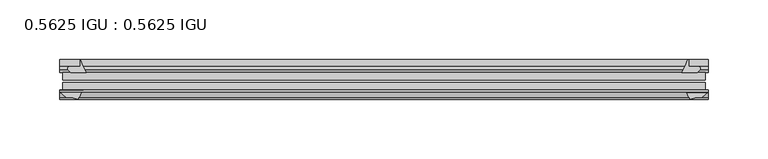
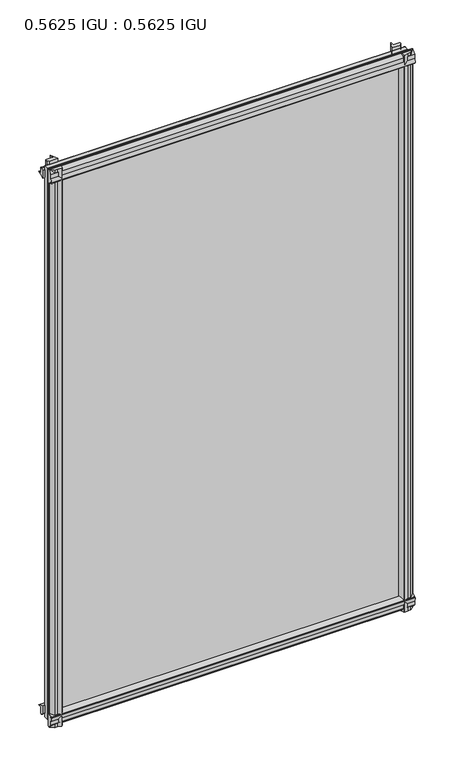
"""IFC4 building model written with IfcOpenShell, lengths in millimetres: plate geometry, 0.5625 IGU : 0.5625 IGU."""

from ifc_helpers import new_model, si_unit, point, frame, frame_2d, origin, place, context, project, spatial, polyline, circle_curve, trimmed, segment, composite_curve, outline, extrude, source, transform, mapped, element, save


def plate_0_5625_igu_0_5625_igu_75a4e9c4(model_context):
    return source(origin(), model_context, "Body", "SweptSolid", [
        extrude(outline(composite_curve([segment(trimmed(circle_curve(frame_2d((-37.8345654, 15.3636795)), 15.5602222), [point((-35.093275, 0.0468313))], [point((-27.955875, 3.3415337))], True, "CARTESIAN"), True, "CONTINUOUS"), segment(polyline([(-27.955875, 3.3415337), (-27.955875, -17.9974199)]), True, "CONTINUOUS"), segment(trimmed(circle_curve(frame_2d((-28.971875, -17.9974199)), 1.016), [point((-27.955875, -17.9974199))], [point((-29.7387172, -18.6639099))], False, "CARTESIAN"), True, "CONTINUOUS"), segment(polyline([(-29.7387172, -18.6639099), (-34.305875, -13.4090837), (-34.305875, -7.4052024), (-35.880675, -1.5279687), (-34.305875, -1.5279687), (-34.305875, -0.7405687)]), True, "CONTINUOUS"), segment(trimmed(circle_curve(frame_2d((-35.093275, -0.7405687)), 0.7874), [point((-34.305875, -0.7405687))], [point((-35.093275, 0.0468313))], True, "CARTESIAN"), True, "CONTINUOUS")], self_intersect=False)), frame((-272.2610856, 0.0, 0.0), z_axis=(1.0, 0.0, 0.0), x_axis=(0.0, 1.0, 0.0)), (0.0, 0.0, 1.0), 544.5221713),
        extrude(outline(composite_curve([segment(trimmed(circle_curve(frame_2d((11.4445684, 45.0767023)), 47.0962123), [point((-13.096875, 4.8800511))], [point((-2.198896, 0.0))], True, "CARTESIAN"), True, "CONTINUOUS"), segment(polyline([(-2.198896, 0.0), (-8.321675, 0.0), (-8.321675, -9.0936065)]), True, "CONTINUOUS"), segment(trimmed(circle_curve(frame_2d((-9.9050751, -9.085239)), 1.5834222), [point((-8.321675, -9.0936065))], [point((-11.0877177, -10.1381313))], False, "CARTESIAN"), True, "CONTINUOUS"), segment(polyline([(-11.0877177, -10.1381313), (-13.096875, -7.8711888), (-13.096875, 4.8800511)]), True, "CONTINUOUS")], self_intersect=False)), frame((-272.2610856, 0.0, 0.0), z_axis=(1.0, 0.0, 0.0), x_axis=(0.0, 1.0, 0.0)), (0.0, 0.0, 1.0), 544.5221713),
        extrude(outline(composite_curve([segment(polyline([(-34.305875, 857.9590837), (-29.7387172, 863.2139099)]), True, "CONTINUOUS"), segment(trimmed(circle_curve(frame_2d((-28.971875, 862.5474199)), 1.016), [point((-29.7387172, 863.2139099))], [point((-27.955875, 862.5474199))], False, "CARTESIAN"), True, "CONTINUOUS"), segment(polyline([(-27.955875, 862.5474199), (-27.955875, 841.2084663)]), True, "CONTINUOUS"), segment(trimmed(circle_curve(frame_2d((-37.8345654, 829.1863205)), 15.5602222), [point((-27.955875, 841.2084663))], [point((-35.093275, 844.5031687))], True, "CARTESIAN"), True, "CONTINUOUS"), segment(trimmed(circle_curve(frame_2d((-35.093275, 845.2905687)), 0.7874), [point((-35.093275, 844.5031687))], [point((-34.305875, 845.2905688))], True, "CARTESIAN"), True, "CONTINUOUS"), segment(polyline([(-34.305875, 845.2905688), (-34.305875, 846.0779687), (-35.880675, 846.0779687), (-34.305875, 851.9552024), (-34.305875, 857.9590837)]), True, "CONTINUOUS")], self_intersect=False)), frame((-272.2610856, 0.0, 0.0), z_axis=(1.0, 0.0, 0.0), x_axis=(0.0, 1.0, 0.0)), (0.0, 0.0, 1.0), 544.5221713),
        extrude(outline(composite_curve([segment(trimmed(circle_curve(frame_2d((-9.9050751, 853.635239)), 1.5834222), [point((-11.0877177, 854.6881313))], [point((-8.321675, 853.6436065))], False, "CARTESIAN"), True, "CONTINUOUS"), segment(polyline([(-8.321675, 853.6436065), (-8.321675, 844.55), (-2.198896, 844.55)]), True, "CONTINUOUS"), segment(trimmed(circle_curve(frame_2d((11.4445684, 799.4732977)), 47.0962123), [point((-2.198896, 844.55))], [point((-13.096875, 839.6699489))], True, "CARTESIAN"), True, "CONTINUOUS"), segment(polyline([(-13.096875, 839.6699489), (-13.096875, 852.4211888), (-11.0877177, 854.6881313)]), True, "CONTINUOUS")], self_intersect=False)), frame((-272.2610856, 0.0, 0.0), z_axis=(1.0, 0.0, 0.0), x_axis=(0.0, 1.0, 0.0)), (0.0, 0.0, 1.0), 544.5221713),
        extrude(outline(composite_curve([segment(polyline([(255.6319654, -8.321675), (263.9012471, -8.321675)]), True, "CONTINUOUS"), segment(trimmed(circle_curve(frame_2d((263.8928797, -9.9050751)), 1.5834222), [point((263.9012471, -8.321675))], [point((264.9457719, -11.0877177))], False, "CARTESIAN"), True, "CONTINUOUS"), segment(polyline([(264.9457719, -11.0877177), (262.6788294, -13.096875), (249.9275895, -13.096875)]), True, "CONTINUOUS"), segment(trimmed(circle_curve(frame_2d((209.7309383, 11.4445684)), 47.0962123), [point((249.9275895, -13.096875))], [point((254.7608094, -2.352675))], True, "CARTESIAN"), True, "CONTINUOUS"), segment(polyline([(254.7608094, -2.352675), (255.6319654, -2.5510821), (255.6319654, -8.321675)]), True, "CONTINUOUS")], self_intersect=False)), frame((0.0, 0.0, -19.0134199), z_axis=(0.0, 0.0, 1.0), x_axis=(1.0, 0.0, 0.0)), (0.0, 0.0, 1.0), 882.2273298),
        extrude(outline(composite_curve([segment(trimmed(circle_curve(frame_2d((271.2450856, -28.971875)), 1.016), [point((271.2450856, -27.955875))], [point((271.9115757, -29.7387172))], False, "CARTESIAN"), True, "CONTINUOUS"), segment(polyline([(271.9115757, -29.7387172), (266.6567494, -34.305875), (262.644643, -34.305875), (256.7674094, -35.880675), (256.7674094, -34.305875), (255.6770537, -34.305875)]), True, "CONTINUOUS"), segment(trimmed(circle_curve(frame_2d((244.0411011, -36.1215237)), 11.7767556), [point((255.6770537, -34.305875))], [point((252.5272165, -27.955875))], True, "CARTESIAN"), True, "CONTINUOUS"), segment(polyline([(252.5272165, -27.955875), (271.2450856, -27.955875)]), True, "CONTINUOUS")], self_intersect=False)), frame((0.0, 0.0, -19.0134199), z_axis=(0.0, 0.0, 1.0), x_axis=(1.0, 0.0, 0.0)), (0.0, 0.0, 1.0), 882.2273298),
        extrude(outline(composite_curve([segment(trimmed(circle_curve(frame_2d((-209.7309383, 11.4445684)), 47.0962123), [point((-254.7110975, -2.5138875))], [point((-249.9275895, -13.096875))], True, "CARTESIAN"), True, "CONTINUOUS"), segment(polyline([(-249.9275895, -13.096875), (-262.6788294, -13.096875), (-264.9457719, -11.0877177)]), True, "CONTINUOUS"), segment(trimmed(circle_curve(frame_2d((-263.8928797, -9.9050751)), 1.5834222), [point((-264.9457719, -11.0877177))], [point((-263.9012471, -8.321675))], False, "CARTESIAN"), True, "CONTINUOUS"), segment(polyline([(-263.9012471, -8.321675), (-254.7110975, -8.321675), (-254.7110975, -2.5138875)]), True, "CONTINUOUS")], self_intersect=False)), frame((0.0, 0.0, -19.0134199), z_axis=(0.0, 0.0, 1.0), x_axis=(1.0, 0.0, 0.0)), (0.0, 0.0, 1.0), 882.5768398),
        extrude(outline(composite_curve([segment(trimmed(circle_curve(frame_2d((-244.0411011, -36.1215237)), 11.7767556), [point((-252.5272165, -27.955875))], [point((-255.6770537, -34.305875))], True, "CARTESIAN"), True, "CONTINUOUS"), segment(polyline([(-255.6770537, -34.305875), (-256.7674094, -34.305875), (-256.7674094, -35.880675), (-262.644643, -34.305875), (-266.6567494, -34.305875), (-271.9115757, -29.7387172)]), True, "CONTINUOUS"), segment(trimmed(circle_curve(frame_2d((-271.2450856, -28.971875)), 1.016), [point((-271.9115757, -29.7387172))], [point((-271.2450856, -27.955875))], False, "CARTESIAN"), True, "CONTINUOUS"), segment(polyline([(-271.2450856, -27.955875), (-252.5272165, -27.955875)]), True, "CONTINUOUS")], self_intersect=False)), frame((0.0, 0.0, -19.0134199), z_axis=(0.0, 0.0, 1.0), x_axis=(1.0, 0.0, 0.0)), (0.0, 0.0, 1.0), 882.5768398),
        extrude(outline(polyline([(-269.4801094, -13.096875), (269.4801094, -13.096875), (269.4801094, -19.396075), (-269.4801094, -19.396075), (-269.4801094, -13.096875)])), frame((0.0, 0.0, -13.5929687), z_axis=(0.0, 0.0, 1.0), x_axis=(1.0, 0.0, 0.0)), (0.0, 0.0, 1.0), 871.7359375),
        extrude(outline(polyline([(269.4801094, -21.656675), (269.4801094, -27.955875), (-269.4801094, -27.955875), (-269.4801094, -21.656675), (269.4801094, -21.656675)])), frame((0.0, 0.0, -13.5929687), z_axis=(0.0, 0.0, 1.0), x_axis=(1.0, 0.0, 0.0)), (0.0, 0.0, 1.0), 871.7359375),
    ])


if __name__ == "__main__":
    model = new_model("IFC4")
    model_context = context("Model", 3, world=origin())
    ifc_project = project(units=[si_unit("LENGTHUNIT", "METRE", prefix="MILLI")], contexts=[model_context])
    site = spatial("IfcSite", under=ifc_project)
    building = spatial("IfcBuilding", under=site)
    placement = place(None, origin())
    plate_0_5625_igu_0_5625_igu_shape = plate_0_5625_igu_0_5625_igu_75a4e9c4(model_context)
    element("IfcPlate", 1, ObjectType="0.5625 IGU : 0.5625 IGU", at=placement, inside=building, context=model_context, shape_type="MappedRepresentation", body=[
        mapped(plate_0_5625_igu_0_5625_igu_shape, transform((0.0, 0.0, 0.0), x_axis=(1.0, 0.0, 0.0), y_axis=(0.0, 1.0, 0.0), z_axis=(0.0, 0.0, 1.0))),
    ])
    save(model, "model.ifc")
